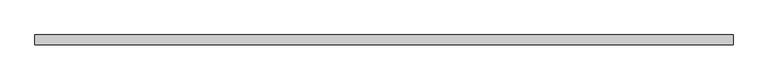
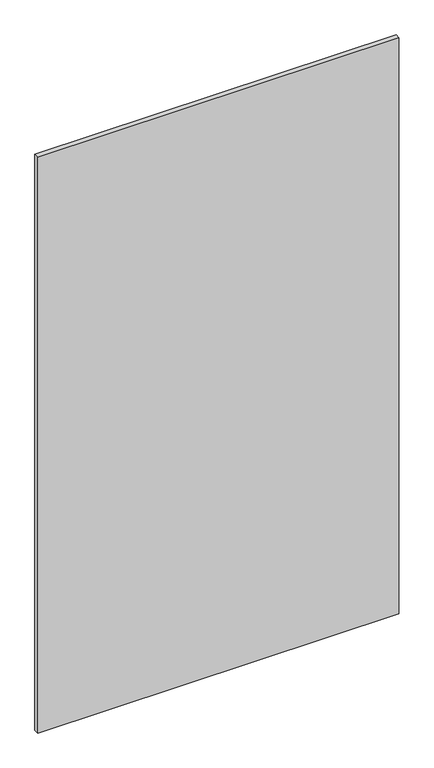
"""IFC4 building model written with IfcOpenShell, lengths in millimetres: plate geometry."""

from ifc_helpers import new_model, si_unit, origin, origin_with_axes, place, context, project, spatial, polyline, outline, extrude, source, transform, mapped, element, save


def plate_6aa52e40(model_context):
    return source(origin(), model_context, "Body", "SweptSolid", [
        extrude(outline(polyline([(889.9999998, 24.5), (-889.9999998, 24.5), (-889.9999998, 49.5), (889.9999998, 49.5), (889.9999998, 24.5)])), origin_with_axes(), (0.0, 0.0, 1.0), 3000.0),
    ])


if __name__ == "__main__":
    model = new_model("IFC4")
    model_context = context("Model", 3, world=origin())
    ifc_project = project(units=[si_unit("LENGTHUNIT", "METRE", prefix="MILLI")], contexts=[model_context])
    site = spatial("IfcSite", under=ifc_project)
    building = spatial("IfcBuilding", under=site)
    placement = place(None, origin())
    plate_shape = plate_6aa52e40(model_context)
    element("IfcPlate", 1, at=placement, inside=building, context=model_context, shape_type="MappedRepresentation", body=[
        mapped(plate_shape, transform((0.0, 0.0, 0.0), x_axis=(1.0, 0.0, 0.0), y_axis=(0.0, 1.0, 0.0), z_axis=(0.0, 0.0, 1.0))),
    ])
    save(model, "model.ifc")
